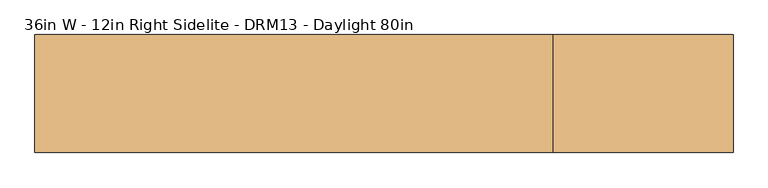
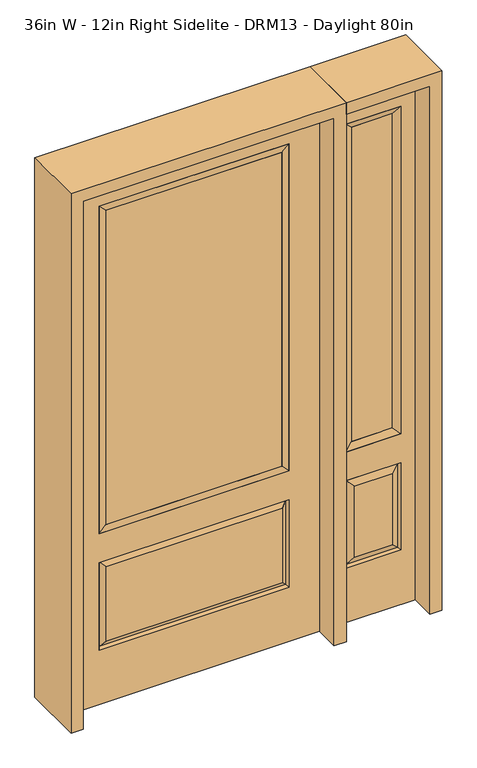
"""IFC4 building model written with IfcOpenShell, lengths in millimetres: door geometry, 36in W - 12in Right Sidelite - DRM13 - Daylight 80in."""

from ifc_helpers import new_model, si_unit, frame, origin, place, context, project, spatial, polyline, outline, extrude, faceted_brep, source, transform, mapped, element, save


def door_36in_w_12in_right_sidelite_drm13_daylight_80in_9755e6e3(model_context):
    return source(origin(), model_context, "Body", "SolidModel", [
        faceted_brep([(501.65, -22.225, 0.0), (806.45, -22.225, 0.0), (806.45, -22.225, 2032.0), (501.65, -22.225, 2032.0), (754.38, -22.225, 1919.224), (754.38, -22.225, 657.098), (553.72, -22.225, 657.098), (553.72, -22.225, 1919.224), (754.38, -22.225, 209.55), (553.72, -22.225, 209.55), (553.72, -22.225, 546.1), (754.38, -22.225, 546.1), (585.4351001, -22.225, 241.2651001), (722.6648999, -22.225, 241.2651001), (722.6648999, -22.225, 514.3848999), (585.4351001, -22.225, 514.3848999), (501.65, 22.225, 0.0), (501.65, 22.225, 2032.0), (806.45, 22.225, 2032.0), (806.45, 22.225, 0.0), (754.38, 22.225, 1919.224), (553.72, 22.225, 1919.224), (553.72, 22.225, 657.098), (754.38, 22.225, 657.098), (553.72, 22.225, 209.55), (754.38, 22.225, 209.55), (754.38, 22.225, 546.1), (553.72, 22.225, 546.1), (722.6648999, 22.225, 241.2651001), (585.4351001, 22.225, 241.2651001), (585.4351001, 22.225, 514.3848999), (722.6648999, 22.225, 514.3848999), (747.2711499, 12.7912373, 216.6588501), (560.8288501, 12.7912373, 216.6588501), (560.8288501, 12.7912373, 538.9911499), (747.2711499, 12.7912373, 538.9911499), (560.8288501, -12.7912373, 216.6588501), (747.2711499, -12.7912373, 216.6588501), (560.8288501, -12.7912373, 538.9911499), (747.2711499, -12.7912373, 538.9911499)], [[[0, 1, 2, 3], [4, 5, 6, 7], [8, 9, 10, 11]], [[12, 13, 14, 15]], [[16, 17, 18, 19], [20, 21, 22, 23], [24, 25, 26, 27]], [[28, 29, 30, 31]], [[1, 0, 16, 19]], [[2, 1, 19, 18]], [[3, 2, 18, 17]], [[0, 3, 17, 16]], [[5, 4, 20, 23]], [[6, 5, 23, 22]], [[7, 6, 22, 21]], [[4, 7, 21, 20]], [[32, 33, 29, 28]], [[33, 32, 25, 24]], [[29, 33, 34, 30]], [[33, 24, 27, 34]], [[30, 34, 35, 31]], [[34, 27, 26, 35]], [[32, 28, 31, 35]], [[25, 32, 35, 26]], [[12, 36, 37, 13]], [[37, 36, 9, 8]], [[36, 12, 15, 38]], [[9, 36, 38, 10]], [[38, 15, 14, 39]], [[10, 38, 39, 11]], [[13, 37, 39, 14]], [[37, 8, 11, 39]]]),
        faceted_brep([(553.72, 22.225, 1919.224), (553.72, -22.225, 1919.224), (754.38, -22.225, 1919.224), (754.38, 22.225, 1919.224), (579.12, 12.7, 1893.824), (728.98, 12.7, 1893.824), (579.12, -12.7, 1893.824), (728.98, -12.7, 1893.824), (754.38, -22.225, 657.098), (754.38, 22.225, 657.098), (728.98, 12.7, 682.498), (728.98, -12.7, 682.498), (553.72, -22.225, 657.098), (553.72, 22.225, 657.098), (579.12, 12.7, 682.498), (579.12, -12.7, 682.498)], [[[0, 1, 2, 3]], [[4, 0, 3, 5]], [[6, 4, 5, 7]], [[1, 6, 7, 2]], [[3, 2, 8, 9]], [[5, 3, 9, 10]], [[7, 5, 10, 11]], [[2, 7, 11, 8]], [[9, 8, 12, 13]], [[10, 9, 13, 14]], [[11, 10, 14, 15]], [[8, 11, 15, 12]], [[13, 12, 1, 0]], [[14, 13, 0, 4]], [[15, 14, 4, 6]], [[12, 15, 6, 1]]]),
        extrude(outline(polyline([(728.98, -12.7), (579.12, -12.7), (579.12, 12.7), (728.98, 12.7), (728.98, -12.7)])), frame((0.0, 0.0, 682.498), z_axis=(0.0, 0.0, 1.0), x_axis=(1.0, 0.0, 0.0)), (0.0, 0.0, 1.0), 1211.326),
        faceted_brep([(-338.9661499, -12.7912373, 216.6588501), (338.9661499, -12.7912373, 216.6588501), (321.46875, -22.225, 234.15625), (-321.46875, -22.225, 234.15625), (-346.075, -22.225, 209.55), (346.075, -22.225, 209.55), (-338.9661499, -12.7912373, 538.9911499), (-346.075, -22.225, 546.1), (321.46875, -22.225, 521.49375), (-321.46875, -22.225, 521.49375), (457.2, -22.225, 2032.0), (-457.2, -22.225, 2032.0), (-457.2, -22.225, 0.0), (457.2, -22.225, 0.0), (346.075, -22.225, 546.1), (346.075, -22.225, 1917.7), (346.075, -22.225, 657.098), (-346.075, -22.225, 657.098), (-346.075, -22.225, 1917.7), (338.9661499, -12.7912373, 538.9911499), (-457.2, 22.225, 2032.0), (-457.2, 22.225, 0.0), (457.2, 22.225, 0.0), (457.2, 22.225, 2032.0), (346.075, 22.225, 1917.7), (346.075, 22.225, 657.098), (-346.075, 22.225, 657.098), (-346.075, 22.225, 1917.7), (-346.075, 22.225, 209.55), (346.075, 22.225, 209.55), (346.075, 22.225, 546.1), (-346.075, 22.225, 546.1), (321.46875, 22.225, 234.15625), (-321.46875, 22.225, 234.15625), (-321.46875, 22.225, 521.49375), (321.46875, 22.225, 521.49375), (-338.9661499, 12.7912373, 216.6588501), (338.9661499, 12.7912373, 216.6588501), (338.9661499, 12.7912373, 538.9911499), (-338.9661499, 12.7912373, 538.9911499)], [[[0, 1, 2, 3]], [[1, 0, 4, 5]], [[4, 0, 6, 7]], [[3, 2, 8, 9]], [[10, 11, 12, 13], [5, 4, 7, 14], [15, 16, 17, 18]], [[1, 5, 14, 19]], [[2, 1, 19, 8]], [[0, 3, 9, 6]], [[7, 6, 19, 14]], [[6, 9, 8, 19]], [[12, 11, 20, 21]], [[13, 12, 21, 22]], [[10, 13, 22, 23]], [[16, 15, 24, 25]], [[17, 16, 25, 26]], [[18, 17, 26, 27]], [[23, 22, 21, 20], [28, 29, 30, 31], [24, 27, 26, 25]], [[32, 33, 34, 35]], [[28, 36, 37, 29]], [[29, 37, 38, 30]], [[39, 31, 30, 38]], [[36, 28, 31, 39]], [[37, 36, 33, 32]], [[33, 36, 39, 34]], [[34, 39, 38, 35]], [[37, 32, 35, 38]], [[11, 10, 23, 20]], [[15, 18, 27, 24]]]),
        faceted_brep([(-346.075, -22.225, 1917.7), (-346.075, 22.225, 1917.7), (-346.075, 22.225, 657.098), (-346.075, -22.225, 657.098), (346.075, 22.225, 657.098), (346.075, -22.225, 657.098), (-320.675, 5.08, 682.498), (320.675, 5.08, 682.498), (346.075, 22.225, 1917.7), (346.075, -22.225, 1917.7), (-320.675, -20.32, 682.498), (320.675, -20.32, 682.498), (-320.675, -20.32, 1892.3), (320.675, -20.32, 1892.3), (-320.675, 5.08, 1892.3), (320.675, 5.08, 1892.3)], [[[0, 1, 2, 3]], [[3, 2, 4, 5]], [[2, 6, 7, 4]], [[5, 4, 8, 9]], [[10, 3, 5, 11]], [[12, 0, 3, 10]], [[11, 5, 9, 13]], [[6, 10, 11, 7]], [[14, 12, 10, 6]], [[7, 11, 13, 15]], [[1, 14, 6, 2]], [[4, 7, 15, 8]], [[9, 8, 1, 0]], [[13, 9, 0, 12]], [[15, 13, 12, 14]], [[8, 15, 14, 1]]]),
        extrude(outline(polyline([(320.675, -20.32), (-320.675, -20.32), (-320.675, 5.08), (320.675, 5.08), (320.675, -20.32)])), frame((0.0, 0.0, 682.498), z_axis=(0.0, 0.0, 1.0), x_axis=(1.0, 0.0, 0.0)), (0.0, 0.0, 1.0), 1209.802),
        extrude(outline(polyline([(2076.45, -501.65), (0.0, -501.65), (0.0, -457.2), (2032.0, -457.2), (2032.0, 457.2), (0.0, 457.2), (0.0, 501.65), (2076.45, 501.65), (2076.45, -501.65)])), frame((0.0, -114.3, 0.0), z_axis=(0.0, 1.0, 0.0), x_axis=(0.0, 0.0, 1.0)), (0.0, 0.0, 1.0), 228.6),
        extrude(outline(polyline([(0.0, 806.45), (0.0, 850.9), (2076.45, 850.9), (2076.45, 501.65), (2032.0, 501.65), (2032.0, 806.45), (0.0, 806.45)])), frame((0.0, -114.3, 0.0), z_axis=(0.0, 1.0, 0.0), x_axis=(0.0, 0.0, 1.0)), (0.0, 0.0, 1.0), 228.6),
    ])


if __name__ == "__main__":
    model = new_model("IFC4")
    model_context = context("Model", 3, world=origin())
    ifc_project = project(units=[si_unit("LENGTHUNIT", "METRE", prefix="MILLI")], contexts=[model_context])
    site = spatial("IfcSite", under=ifc_project)
    building = spatial("IfcBuilding", under=site)
    placement = place(None, origin())
    door_36in_w_12in_right_sidelite_drm13_daylight_80in_shape = door_36in_w_12in_right_sidelite_drm13_daylight_80in_9755e6e3(model_context)
    element("IfcDoor", 1, ObjectType="36in W - 12in Right Sidelite - DRM13 - Daylight 80in", at=placement, inside=building, context=model_context, shape_type="MappedRepresentation", body=[
        mapped(door_36in_w_12in_right_sidelite_drm13_daylight_80in_shape, transform((0.0, 0.0, 0.0), x_axis=(1.0, 0.0, 0.0), y_axis=(0.0, 1.0, 0.0), z_axis=(0.0, 0.0, 1.0))),
    ])
    save(model, "model.ifc")
